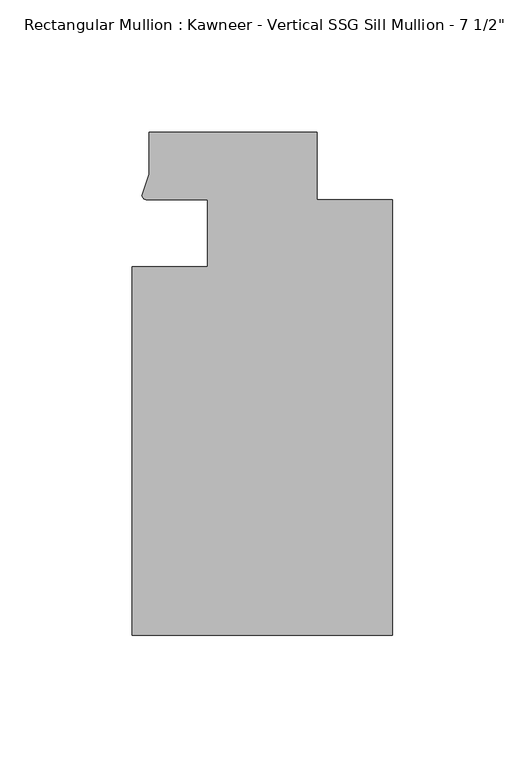
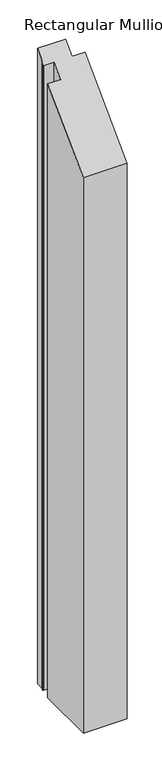
"""IFC4 building model written with IfcOpenShell, lengths in millimetres: member geometry."""

from ifc_helpers import new_model, si_unit, frame, origin, place, context, project, spatial, circle_curve, ellipse_curve, source, transform, mapped, element, save
from ifc_brep_helpers import plane_surface, cylinder_surface, advanced_brep


def member_e735b0c6(model_context):
    return source(origin(), model_context, "Body", "AdvancedBrep", [
        advanced_brep(
        [(-69.85, -12.7, -1472.3546571), (-69.85, 12.700061, -1472.3546571), (-93.1091288, 12.700061, -1472.3546571), (-94.7258552, 14.2884292, -1472.3546571), (-92.075, 22.2250977, -1472.3546571), (-92.075, 38.1, -1472.3546571), (-28.575, 38.1, -1472.3546571), (-28.575, 12.7, -1472.3546571), (0.0, 12.7, -1472.3546571), (0.0, -151.892, -1472.3546571), (-98.425, -151.892, -1472.3546571), (-98.425, -12.7, -1472.3546571), (-98.425, -12.7, -12.7), (-69.85, -12.7, -12.7), (-98.425, -151.892, -151.892), (0.0, -151.892, -151.892), (0.0, 12.7, 12.7), (-28.575, 12.7, 12.7), (-28.575, 38.1, 38.1), (-92.075, 38.1, 38.1), (-92.075, 22.2250977, 22.2250977), (-94.7258552, 14.2884292, 14.2884292), (-93.1091288, 12.700061, 12.700061), (-69.85, 12.700061, 12.700061)],
        [
            (0, 1),
            (1, 2),
            (2, 3, circle_curve(frame((-93.0262373, 14.401412, -1472.3546571), z_axis=(0.0, 0.0, -1.0), x_axis=(-0.04866327869705179, -0.9988152408260765, 0.0)), 1.703369)),
            (3, 4),
            (4, 5),
            (5, 6),
            (6, 7),
            (7, 8),
            (8, 9),
            (9, 10),
            (10, 11),
            (11, 0),
            (12, 13),
            (13, 0),
            (11, 12),
            (14, 12),
            (10, 14),
            (15, 14),
            (9, 15),
            (16, 15),
            (8, 16),
            (17, 16),
            (7, 17),
            (18, 17),
            (6, 18),
            (19, 18),
            (5, 19),
            (20, 19),
            (4, 20),
            (21, 20),
            (3, 21),
            (22, 21, ellipse_curve(frame((-93.0262373, 14.401412, 14.401412), z_axis=(0.0, 0.7071067811865481, -0.707106781186547), x_axis=(0.0, 0.7071067811865469, 0.707106781186548)), 2.4089276, 1.703369)),
            (2, 22),
            (23, 22),
            (1, 23),
            (13, 23),
        ],
        [
            plane_surface(frame((0.0, -180.9935366, -1472.3546571), z_axis=(0.0, 0.0, -1.0), x_axis=(-1.0, 0.0, 0.0))),
            plane_surface(frame((-69.85, -12.7, 0.0), z_axis=(0.0, 1.0, 0.0), x_axis=(0.0, 0.0, -1.0))),
            plane_surface(frame((-98.425, -12.7, 0.0), z_axis=(-1.0, 0.0, 0.0), x_axis=(0.0, 0.0, -1.0))),
            plane_surface(frame((-98.425, -151.892, 0.0), z_axis=(0.0, -1.0, 0.0), x_axis=(0.0, 0.0, -1.0))),
            plane_surface(frame((0.0, -151.892, 0.0), z_axis=(1.0, 0.0, 0.0), x_axis=(0.0, 0.0, -1.0))),
            plane_surface(frame((0.0, 12.7, 0.0), z_axis=(0.0, 1.0, 0.0), x_axis=(0.0, 0.0, -1.0))),
            plane_surface(frame((-28.575, 12.7, 0.0), z_axis=(1.0, 0.0, 0.0), x_axis=(0.0, 0.0, -1.0))),
            plane_surface(frame((-28.575, 38.1, 0.0), z_axis=(0.0, 1.0, 0.0), x_axis=(0.0, 0.0, -1.0))),
            plane_surface(frame((-92.075, 38.1, 0.0), z_axis=(-1.0, 0.0, 0.0), x_axis=(0.0, 0.0, -1.0))),
            plane_surface(frame((-92.075, 22.2250977, 0.0), z_axis=(-0.9484931443165878, 0.3167976565324192, 0.0), x_axis=(0.0, 0.0, -1.0))),
            cylinder_surface(frame((-93.0262373, 14.401412, 0.0), z_axis=(0.0, 0.0, 1.0000000000000002), x_axis=(-0.04866327869705179, -0.9988152408260765, 0.0)), 1.703369),
            plane_surface(frame((-93.1091288, 12.700061, 0.0), z_axis=(0.0, -1.0, 0.0), x_axis=(0.0, 0.0, -1.0))),
            plane_surface(frame((-69.85, 12.700061, 0.0), z_axis=(-1.0, 0.0, 0.0), x_axis=(0.0, 0.0, -1.0))),
            plane_surface(frame((304.8, 0.0, 0.0), z_axis=(0.0, -0.7071067811865481, 0.707106781186547), x_axis=(0.0, -0.707106781186547, -0.7071067811865481))),
        ],
        [
            (0, [[1, 2, 3, 4, 5, 6, 7, 8, 9, 10, 11, 12]]),
            (1, [[13, 14, -12, 15]]),
            (2, [[16, -15, -11, 17]]),
            (3, [[18, -17, -10, 19]]),
            (4, [[20, -19, -9, 21]]),
            (5, [[22, -21, -8, 23]]),
            (6, [[24, -23, -7, 25]]),
            (7, [[26, -25, -6, 27]]),
            (8, [[28, -27, -5, 29]]),
            (9, [[30, -29, -4, 31]]),
            (10, [[32, -31, -3, 33]]),
            (11, [[34, -33, -2, 35]]),
            (12, [[36, -35, -1, -14]]),
            (13, [[-13, -16, -18, -20, -22, -24, -26, -28, -30, -32, -34, -36]]),
        ],
    ),
    ])


if __name__ == "__main__":
    model = new_model("IFC4")
    model_context = context("Model", 3, world=origin())
    ifc_project = project(units=[si_unit("LENGTHUNIT", "METRE", prefix="MILLI")], contexts=[model_context])
    site = spatial("IfcSite", under=ifc_project)
    building = spatial("IfcBuilding", under=site)
    placement = place(None, origin())
    member_shape = member_e735b0c6(model_context)
    element("IfcMember", 1, ObjectType="Rectangular Mullion : Kawneer - Vertical SSG Sill Mullion - 7 1/2\"", at=placement, inside=building, context=model_context, shape_type="MappedRepresentation", body=[
        mapped(member_shape, transform((0.0, 0.0, 0.0), x_axis=(1.0, 0.0, 0.0), y_axis=(0.0, 1.0, 0.0), z_axis=(0.0, 0.0, 1.0))),
    ])
    save(model, "model.ifc")
